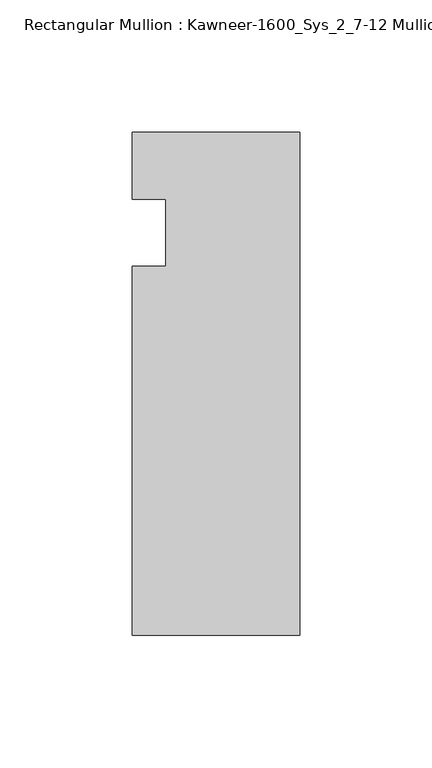
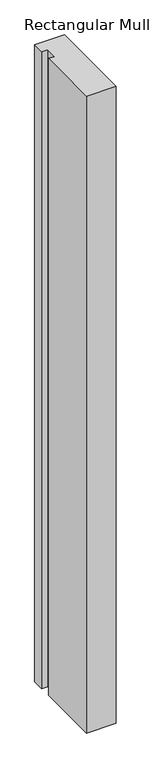
"""IFC4 building model written with IfcOpenShell, lengths in millimetres: member geometry, Rectangular Mullion : Kawneer-1600_Sys_2_7-12 Mullion_Sill."""

from ifc_helpers import new_model, si_unit, frame, origin, place, context, project, spatial, polyline, outline, extrude, source, transform, mapped, element, save


def rectangular_mullion_kawneer_1600_sys_2_7_12_mullion_sill_5a31b2a8(model_context):
    return source(origin(), model_context, "Body", "SweptSolid", [
        extrude(outline(polyline([(-63.5, -152.4), (-63.5, -12.7), (-50.7982296, -12.7), (-50.7982296, 12.7), (-63.5, 12.7), (-63.5, 38.1), (0.0, 38.1), (0.0, -152.4), (-63.5, -152.4)])), frame((0.0, 0.0, -1433.0844027), z_axis=(0.0, 0.0, 1.0), x_axis=(1.0, 0.0, 0.0)), (0.0, 0.0, 1.0), 1433.0844027),
    ])


if __name__ == "__main__":
    model = new_model("IFC4")
    model_context = context("Model", 3, world=origin())
    ifc_project = project(units=[si_unit("LENGTHUNIT", "METRE", prefix="MILLI")], contexts=[model_context])
    site = spatial("IfcSite", under=ifc_project)
    building = spatial("IfcBuilding", under=site)
    placement = place(None, origin())
    rectangular_mullion_kawneer_1600_sys_2_7_12_mullion_sill_shape = rectangular_mullion_kawneer_1600_sys_2_7_12_mullion_sill_5a31b2a8(model_context)
    element("IfcMember", 1, ObjectType="Rectangular Mullion : Kawneer-1600_Sys_2_7-12 Mullion_Sill", at=placement, inside=building, context=model_context, shape_type="MappedRepresentation", body=[
        mapped(rectangular_mullion_kawneer_1600_sys_2_7_12_mullion_sill_shape, transform((0.0, 0.0, 0.0), x_axis=(1.0, 0.0, 0.0), y_axis=(0.0, 1.0, 0.0), z_axis=(0.0, 0.0, 1.0))),
    ])
    save(model, "model.ifc")
